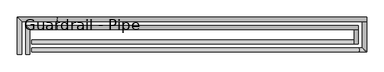
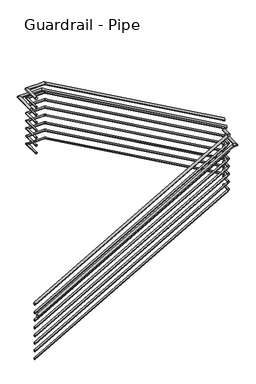
"""IFC4 building model written with IfcOpenShell, lengths in millimetres: railing geometry, Guardrail - Pipe."""

from ifc_helpers import new_model, si_unit, frame, origin, place, context, project, spatial, circle_curve, ellipse_curve, source, transform, mapped, element, save
from ifc_brep_helpers import plane_surface, cylinder_surface, advanced_brep


def guardrail_pipe_3732564f(model_context):
    return source(origin(), model_context, "Body", "AdvancedBrep", [
        advanced_brep(
        [(2655.3404629, -22606.8340928, 8667.75), (2693.4404629, -22606.8340928, 8667.75), (2655.3404629, -22333.7840928, 8667.75), (2693.4404629, -22371.8840928, 8667.75), (2948.8126111, -22333.7840928, 8667.75), (2948.8126111, -22371.8840928, 8667.75), (5782.5952881, -22333.7840928, 7078.2587793), (5782.5952881, -22371.8840928, 7078.2587793)],
        [
            (0, 1, circle_curve(frame((2674.3904629, -22606.8340928, 8667.75), z_axis=(0.0, -1.0, 0.0), x_axis=(1.0, 0.0, 0.0)), 19.05)),
            (1, 0, circle_curve(frame((2674.3904629, -22606.8340928, 8667.75), z_axis=(0.0, -1.0, 0.0), x_axis=(1.0, 0.0, 0.0)), 19.05)),
            (0, 2),
            (2, 3, ellipse_curve(frame((2674.3904629, -22352.8340928, 8667.75), z_axis=(-0.7071067811865462, -0.7071067811865488, 0.0), x_axis=(0.7071067811865488, -0.7071067811865462, 0.0)), 26.9407684, 19.05)),
            (3, 1),
            (3, 2, ellipse_curve(frame((2674.3904629, -22352.8340928, 8667.75), z_axis=(-0.7071067811865462, -0.7071067811865488, 0.0), x_axis=(0.7071067811865488, -0.7071067811865462, 0.0)), 26.9407684, 19.05)),
            (2, 4),
            (4, 5, ellipse_curve(frame((2948.8126111, -22352.8340928, 8667.75), z_axis=(-0.9675143981160731, 0.0, 0.25281592006456605), x_axis=(-0.252815920064565, 0.0, -0.9675143981160731)), 19.6896295, 19.05)),
            (5, 3),
            (5, 4, ellipse_curve(frame((2948.8126111, -22352.8340928, 8667.75), z_axis=(-0.9675143981160731, 0.0, 0.25281592006456605), x_axis=(-0.252815920064565, 0.0, -0.9675143981160731)), 19.6896295, 19.05)),
            (6, 7, ellipse_curve(frame((5782.5952881, -22352.8340928, 7078.2587793), z_axis=(1.0, 0.0, 0.0), x_axis=(0.0, 0.0, 0.9999999999999999)), 21.8421166, 19.05)),
            (7, 6, ellipse_curve(frame((5782.5952881, -22352.8340928, 7078.2587793), z_axis=(1.0, 0.0, 0.0), x_axis=(0.0, 0.0, 0.9999999999999999)), 21.8421166, 19.05)),
            (4, 6),
            (7, 5),
        ],
        [
            plane_surface(frame((2674.3904629, -22606.8340928, 8686.8), z_axis=(0.0, -1.0, 0.0), x_axis=(0.0, 0.0, 1.0))),
            cylinder_surface(frame((2674.3904629, -22606.8340928, 8667.75), z_axis=(0.0, -1.0, 0.0), x_axis=(1.0, 0.0, 0.0)), 19.05),
            cylinder_surface(frame((2674.3904629, -22352.8340928, 8667.75), z_axis=(-1.0, 0.0, 0.0), x_axis=(0.0, -1.0, 0.0)), 19.05),
            plane_surface(frame((5782.5952881, -22352.8340928, 7100.1008959), z_axis=(1.0, 0.0, 0.0), x_axis=(0.0, 1.0, 0.0))),
            cylinder_surface(frame((2944.471087, -22352.8340928, 8670.1851954), z_axis=(-0.8721682211238139, 0.0, 0.48920608547085964), x_axis=(0.0, -1.0, 0.0)), 19.05),
        ],
        [
            (0, [[1, 2]]),
            (1, [[-1, 3, 4, 5]]),
            (1, [[-2, -5, 6, -3]]),
            (2, [[-4, 7, 8, 9]]),
            (2, [[-6, -9, 10, -7]]),
            (3, [[11, 12]]),
            (4, [[-8, 13, -12, 14]]),
            (4, [[-10, -14, -11, -13]]),
        ],
    ),
        advanced_brep(
        [(5782.5952881, -22371.8840928, 6918.4630435), (5744.4952881, -22371.8840928, 6918.4630435), (5782.5952881, -22509.0587769, 6918.4630435), (5744.4952881, -22509.0587769, 6918.4630435)],
        [
            (0, 1, circle_curve(frame((5763.5452881, -22371.8840928, 6918.4630435), z_axis=(0.0, 1.0, 0.0), x_axis=(-1.0, 0.0, 0.0)), 19.05)),
            (1, 0, circle_curve(frame((5763.5452881, -22371.8840928, 6918.4630435), z_axis=(0.0, 1.0, 0.0), x_axis=(-1.0, 0.0, 0.0)), 19.05)),
            (2, 3, circle_curve(frame((5763.5452881, -22509.0587769, 6918.4630435), z_axis=(0.0, -1.0, 0.0), x_axis=(-1.0, 0.0, 0.0)), 19.05)),
            (3, 2, circle_curve(frame((5763.5452881, -22509.0587769, 6918.4630435), z_axis=(0.0, -1.0, 0.0), x_axis=(-1.0, 0.0, 0.0)), 19.05)),
            (0, 2),
            (3, 1),
        ],
        [
            plane_surface(frame((5763.5452881, -22371.8840928, 6937.5130435), z_axis=(0.0, 1.0, 0.0), x_axis=(0.0, 0.0, -1.0))),
            plane_surface(frame((5763.5452881, -22509.0587769, 6937.5130435), z_axis=(0.0, -1.0, 0.0), x_axis=(0.0, 0.0, -1.0))),
            cylinder_surface(frame((5763.5452881, -22371.8840928, 6918.4630435), z_axis=(0.0, 1.0, 0.0), x_axis=(-1.0, 0.0, 0.0)), 19.05),
        ],
        [
            (0, [[1, 2]]),
            (1, [[3, 4]]),
            (2, [[-1, 5, -4, 6]]),
            (2, [[-2, -6, -3, -5]]),
        ],
    ),
        advanced_brep(
        [(5744.4952881, -22509.0587769, 6890.2938955), (5744.4952881, -22470.9587769, 6890.2938955), (2715.5452881, -22509.0587769, 5166.3065437), (2715.5452881, -22470.9587769, 5166.3065437)],
        [
            (0, 1, ellipse_curve(frame((5744.4952881, -22490.0087769, 6890.2938955), z_axis=(1.0, 0.0, 0.0), x_axis=(0.0, 0.0, 1.0)), 21.9195433, 19.05)),
            (1, 0, ellipse_curve(frame((5744.4952881, -22490.0087769, 6890.2938955), z_axis=(1.0, 0.0, 0.0), x_axis=(0.0, 0.0, 1.0)), 21.9195433, 19.05)),
            (2, 3, ellipse_curve(frame((2715.5452881, -22490.0087769, 5166.3065437), z_axis=(-1.0, 0.0, 0.0), x_axis=(0.0, 0.0, 1.0)), 21.9195433, 19.05)),
            (3, 2, ellipse_curve(frame((2715.5452881, -22490.0087769, 5166.3065437), z_axis=(-1.0, 0.0, 0.0), x_axis=(0.0, 0.0, 1.0)), 21.9195433, 19.05)),
            (0, 2),
            (3, 1),
        ],
        [
            plane_surface(frame((5744.4952881, -22490.0087769, 6912.2134387), z_axis=(1.0, 0.0, 0.0), x_axis=(0.0, -1.0, 0.0))),
            plane_surface(frame((2715.5452881, -22490.0087769, 5188.226087), z_axis=(-1.0, 0.0, 0.0), x_axis=(0.0, -1.0, 0.0))),
            cylinder_surface(frame((5753.9185319, -22490.0087769, 6895.6573228), z_axis=(0.8690874511905761, 0.0, 0.4946584702429223), x_axis=(0.0, 1.0, 0.0)), 19.05),
        ],
        [
            (0, [[1, 2]]),
            (1, [[3, 4]]),
            (2, [[-1, 5, -4, 6]]),
            (2, [[-2, -6, -3, -5]]),
        ],
    ),
        advanced_brep(
        [(2661.6904629, -22606.8340928, 8521.7), (2687.0904629, -22606.8340928, 8521.7), (2661.6904629, -22340.1340928, 8521.7), (2687.0904629, -22365.5340928, 8521.7), (2950.471895, -22340.1340928, 8521.7), (2950.471895, -22365.5340928, 8521.7), (5776.2452881, -22340.1340928, 6936.7012503), (5776.2452881, -22365.5340928, 6936.7012503)],
        [
            (0, 1, circle_curve(frame((2674.3904629, -22606.8340928, 8521.7), z_axis=(0.0, -1.0, 0.0), x_axis=(1.0, 0.0, 0.0)), 12.7)),
            (1, 0, circle_curve(frame((2674.3904629, -22606.8340928, 8521.7), z_axis=(0.0, -1.0, 0.0), x_axis=(1.0, 0.0, 0.0)), 12.7)),
            (0, 2),
            (2, 3, ellipse_curve(frame((2674.3904629, -22352.8340928, 8521.7), z_axis=(-0.7071067811865462, -0.7071067811865488, 0.0), x_axis=(0.7071067811865488, -0.7071067811865462, 0.0)), 17.9605122, 12.7)),
            (3, 1),
            (3, 2, ellipse_curve(frame((2674.3904629, -22352.8340928, 8521.7), z_axis=(-0.7071067811865462, -0.7071067811865488, 0.0), x_axis=(0.7071067811865488, -0.7071067811865462, 0.0)), 17.9605122, 12.7)),
            (2, 4),
            (4, 5, ellipse_curve(frame((2950.471895, -22352.8340928, 8521.7), z_axis=(-0.9675143981160731, 0.0, 0.25281592006456605), x_axis=(-0.252815920064565, 0.0, -0.9675143981160731)), 13.1264196, 12.7)),
            (5, 3),
            (5, 4, ellipse_curve(frame((2950.471895, -22352.8340928, 8521.7), z_axis=(-0.9675143981160731, 0.0, 0.25281592006456605), x_axis=(-0.252815920064565, 0.0, -0.9675143981160731)), 13.1264196, 12.7)),
            (6, 7, ellipse_curve(frame((5776.2452881, -22352.8340928, 6936.7012503), z_axis=(1.0, 0.0, 0.0), x_axis=(0.0, 0.0, 0.9999999999999999)), 14.5614111, 12.7)),
            (7, 6, ellipse_curve(frame((5776.2452881, -22352.8340928, 6936.7012503), z_axis=(1.0, 0.0, 0.0), x_axis=(0.0, 0.0, 0.9999999999999999)), 14.5614111, 12.7)),
            (4, 6),
            (7, 5),
        ],
        [
            plane_surface(frame((2674.3904629, -22606.8340928, 8534.4), z_axis=(0.0, -1.0, 0.0), x_axis=(0.0, 0.0, 1.0))),
            cylinder_surface(frame((2674.3904629, -22606.8340928, 8521.7), z_axis=(0.0, -1.0, 0.0), x_axis=(1.0, 0.0, 0.0)), 12.7),
            cylinder_surface(frame((2674.3904629, -22352.8340928, 8521.7), z_axis=(-1.0, 0.0, 0.0), x_axis=(0.0, -1.0, 0.0)), 12.7),
            plane_surface(frame((5776.2452881, -22352.8340928, 6951.2626613), z_axis=(1.0, 0.0, 0.0), x_axis=(0.0, 1.0, 0.0))),
            cylinder_surface(frame((2947.5775456, -22352.8340928, 8523.3234636), z_axis=(-0.8721682211238139, 0.0, 0.48920608547085964), x_axis=(0.0, -1.0, 0.0)), 12.7),
        ],
        [
            (0, [[1, 2]]),
            (1, [[-1, 3, 4, 5]]),
            (1, [[-2, -5, 6, -3]]),
            (2, [[-4, 7, 8, 9]]),
            (2, [[-6, -9, 10, -7]]),
            (3, [[11, 12]]),
            (4, [[-8, 13, -12, 14]]),
            (4, [[-10, -14, -11, -13]]),
        ],
    ),
        advanced_brep(
        [(5776.2452881, -22365.5340928, 6772.4130435), (5750.8452881, -22365.5340928, 6772.4130435), (5776.2452881, -22502.7087769, 6772.4130435), (5750.8452881, -22502.7087769, 6772.4130435)],
        [
            (0, 1, circle_curve(frame((5763.5452881, -22365.5340928, 6772.4130435), z_axis=(0.0, 1.0, 0.0), x_axis=(-1.0, 0.0, 0.0)), 12.7)),
            (1, 0, circle_curve(frame((5763.5452881, -22365.5340928, 6772.4130435), z_axis=(0.0, 1.0, 0.0), x_axis=(-1.0, 0.0, 0.0)), 12.7)),
            (2, 3, circle_curve(frame((5763.5452881, -22502.7087769, 6772.4130435), z_axis=(0.0, -1.0, 0.0), x_axis=(-1.0, 0.0, 0.0)), 12.7)),
            (3, 2, circle_curve(frame((5763.5452881, -22502.7087769, 6772.4130435), z_axis=(0.0, -1.0, 0.0), x_axis=(-1.0, 0.0, 0.0)), 12.7)),
            (0, 2),
            (3, 1),
        ],
        [
            plane_surface(frame((5763.5452881, -22365.5340928, 6785.1130435), z_axis=(0.0, 1.0, 0.0), x_axis=(0.0, 0.0, -1.0))),
            plane_surface(frame((5763.5452881, -22502.7087769, 6785.1130435), z_axis=(0.0, -1.0, 0.0), x_axis=(0.0, 0.0, -1.0))),
            cylinder_surface(frame((5763.5452881, -22365.5340928, 6772.4130435), z_axis=(0.0, 1.0, 0.0), x_axis=(-1.0, 0.0, 0.0)), 12.7),
        ],
        [
            (0, [[1, 2]]),
            (1, [[3, 4]]),
            (2, [[-1, 5, -4, 6]]),
            (2, [[-2, -6, -3, -5]]),
        ],
    ),
        advanced_brep(
        [(5750.8452881, -22502.7087769, 6748.8146391), (5750.8452881, -22477.3087769, 6748.8146391), (2715.5452881, -22502.7087769, 5021.2130581), (2715.5452881, -22477.3087769, 5021.2130581)],
        [
            (0, 1, ellipse_curve(frame((5750.8452881, -22490.0087769, 6748.8146391), z_axis=(1.0, 0.0, 0.0), x_axis=(0.0, 0.0, 1.0)), 14.6130289, 12.7)),
            (1, 0, ellipse_curve(frame((5750.8452881, -22490.0087769, 6748.8146391), z_axis=(1.0, 0.0, 0.0), x_axis=(0.0, 0.0, 1.0)), 14.6130289, 12.7)),
            (2, 3, ellipse_curve(frame((2715.5452881, -22490.0087769, 5021.2130581), z_axis=(-1.0, 0.0, 0.0), x_axis=(0.0, 0.0, 1.0)), 14.6130289, 12.7)),
            (3, 2, ellipse_curve(frame((2715.5452881, -22490.0087769, 5021.2130581), z_axis=(-1.0, 0.0, 0.0), x_axis=(0.0, 0.0, 1.0)), 14.6130289, 12.7)),
            (0, 2),
            (3, 1),
        ],
        [
            plane_surface(frame((5750.8452881, -22490.0087769, 6763.427668), z_axis=(1.0, 0.0, 0.0), x_axis=(0.0, -1.0, 0.0))),
            plane_surface(frame((2715.5452881, -22490.0087769, 5035.826087), z_axis=(-1.0, 0.0, 0.0), x_axis=(0.0, -1.0, 0.0))),
            cylinder_surface(frame((5757.1274506, -22490.0087769, 6752.3902574), z_axis=(0.8690874511905761, 0.0, 0.4946584702429223), x_axis=(0.0, 1.0, 0.0)), 12.7),
        ],
        [
            (0, [[1, 2]]),
            (1, [[3, 4]]),
            (2, [[-1, 5, -4, 6]]),
            (2, [[-2, -6, -3, -5]]),
        ],
    ),
        advanced_brep(
        [(2579.1404629, -22606.8340928, 8515.35), (2617.2404629, -22606.8340928, 8515.35), (2579.1404629, -22257.5840928, 8515.35), (2617.2404629, -22295.6840928, 8515.35), (2948.8126111, -22257.5840928, 8515.35), (2948.8126111, -22295.6840928, 8515.35), (5858.7952881, -22257.5840928, 6883.1175938), (5858.7952881, -22295.6840928, 6883.1175938)],
        [
            (0, 1, circle_curve(frame((2598.1904629, -22606.8340928, 8515.35), z_axis=(0.0, -1.0, 0.0), x_axis=(1.0, 0.0, 0.0)), 19.05)),
            (1, 0, circle_curve(frame((2598.1904629, -22606.8340928, 8515.35), z_axis=(0.0, -1.0, 0.0), x_axis=(1.0, 0.0, 0.0)), 19.05)),
            (0, 2),
            (2, 3, ellipse_curve(frame((2598.1904629, -22276.6340928, 8515.35), z_axis=(-0.7071067811865462, -0.7071067811865488, 0.0), x_axis=(0.7071067811865488, -0.7071067811865462, 0.0)), 26.9407684, 19.05)),
            (3, 1),
            (3, 2, ellipse_curve(frame((2598.1904629, -22276.6340928, 8515.35), z_axis=(-0.7071067811865462, -0.7071067811865488, 0.0), x_axis=(0.7071067811865488, -0.7071067811865462, 0.0)), 26.9407684, 19.05)),
            (2, 4),
            (4, 5, ellipse_curve(frame((2948.8126111, -22276.6340928, 8515.35), z_axis=(-0.9675143981160731, 0.0, 0.252815920064566), x_axis=(-0.25281592006456505, 0.0, -0.9675143981160731)), 19.6896295, 19.05)),
            (5, 3),
            (5, 4, ellipse_curve(frame((2948.8126111, -22276.6340928, 8515.35), z_axis=(-0.9675143981160731, 0.0, 0.252815920064566), x_axis=(-0.25281592006456505, 0.0, -0.9675143981160731)), 19.6896295, 19.05)),
            (6, 7, ellipse_curve(frame((5858.7952881, -22276.6340928, 6883.1175938), z_axis=(1.0, 0.0, 0.0), x_axis=(0.0, 0.0, 1.0)), 21.8421166, 19.05)),
            (7, 6, ellipse_curve(frame((5858.7952881, -22276.6340928, 6883.1175938), z_axis=(1.0, 0.0, 0.0), x_axis=(0.0, 0.0, 1.0)), 21.8421166, 19.05)),
            (4, 6),
            (7, 5),
        ],
        [
            plane_surface(frame((2598.1904629, -22606.8340928, 8534.4), z_axis=(0.0, -1.0, 0.0), x_axis=(0.0, 0.0, 1.0))),
            cylinder_surface(frame((2598.1904629, -22606.8340928, 8515.35), z_axis=(0.0, -1.0, 0.0), x_axis=(1.0, 0.0, 0.0)), 19.05),
            cylinder_surface(frame((2598.1904629, -22276.6340928, 8515.35), z_axis=(-1.0, 0.0, 0.0), x_axis=(0.0, -1.0, 0.0)), 19.05),
            plane_surface(frame((5858.7952881, -22276.6340928, 6904.9597104), z_axis=(1.0, 0.0, 0.0), x_axis=(0.0, 1.0, 0.0))),
            cylinder_surface(frame((2944.471087, -22276.6340928, 8517.7851954), z_axis=(-0.872168221123814, 0.0, 0.4892060854708595), x_axis=(0.0, -1.0, 0.0)), 19.05),
        ],
        [
            (0, [[1, 2]]),
            (1, [[-1, 3, 4, 5]]),
            (1, [[-2, -5, 6, -3]]),
            (2, [[-4, 7, 8, 9]]),
            (2, [[-6, -9, 10, -7]]),
            (3, [[11, 12]]),
            (4, [[-8, 13, -12, 14]]),
            (4, [[-10, -14, -11, -13]]),
        ],
    ),
        advanced_brep(
        [(5858.7952881, -22295.6840928, 6766.0630435), (5820.6952881, -22295.6840928, 6766.0630435), (5858.7952881, -22585.2587769, 6766.0630435), (5820.6952881, -22547.1587769, 6766.0630435), (5793.9869162, -22585.2587769, 6766.0630435), (5793.9869162, -22547.1587769, 6766.0630435), (2715.5452881, -22585.2587769, 5013.9065437), (2715.5452881, -22547.1587769, 5013.9065437)],
        [
            (0, 1, circle_curve(frame((5839.7452881, -22295.6840928, 6766.0630435), z_axis=(0.0, 1.0, 0.0), x_axis=(-1.0, 0.0, 0.0)), 19.05)),
            (1, 0, circle_curve(frame((5839.7452881, -22295.6840928, 6766.0630435), z_axis=(0.0, 1.0, 0.0), x_axis=(-1.0, 0.0, 0.0)), 19.05)),
            (0, 2),
            (2, 3, ellipse_curve(frame((5839.7452881, -22566.2087769, 6766.0630435), z_axis=(0.7071067811865487, 0.7071067811865464, 0.0), x_axis=(-0.7071067811865464, 0.7071067811865487, 0.0)), 26.9407684, 19.05)),
            (3, 1),
            (3, 2, ellipse_curve(frame((5839.7452881, -22566.2087769, 6766.0630435), z_axis=(0.7071067811865487, 0.7071067811865464, 0.0), x_axis=(-0.7071067811865464, 0.7071067811865487, 0.0)), 26.9407684, 19.05)),
            (2, 4),
            (4, 5, ellipse_curve(frame((5793.9869162, -22566.2087769, 6766.0630435), z_axis=(0.966718017622144, 0.0, 0.2558442385607148), x_axis=(0.2558442385607151, 0.0, -0.966718017622144)), 19.7058497, 19.05)),
            (5, 3),
            (5, 4, ellipse_curve(frame((5793.9869162, -22566.2087769, 6766.0630435), z_axis=(0.966718017622144, 0.0, 0.2558442385607148), x_axis=(0.2558442385607151, 0.0, -0.966718017622144)), 19.7058497, 19.05)),
            (6, 7, ellipse_curve(frame((2715.5452881, -22566.2087769, 5013.9065437), z_axis=(-1.0, 0.0, 0.0), x_axis=(0.0, 0.0, 1.0)), 21.9195433, 19.05)),
            (7, 6, ellipse_curve(frame((2715.5452881, -22566.2087769, 5013.9065437), z_axis=(-1.0, 0.0, 0.0), x_axis=(0.0, 0.0, 1.0)), 21.9195433, 19.05)),
            (4, 6),
            (7, 5),
        ],
        [
            plane_surface(frame((5839.7452881, -22295.6840928, 6785.1130435), z_axis=(0.0, 1.0, 0.0), x_axis=(0.0, 0.0, -1.0))),
            cylinder_surface(frame((5839.7452881, -22295.6840928, 6766.0630435), z_axis=(0.0, 1.0, 0.0), x_axis=(-1.0, 0.0, 0.0)), 19.05),
            cylinder_surface(frame((5839.7452881, -22566.2087769, 6766.0630435), z_axis=(1.0, 0.0, 0.0), x_axis=(0.0, 1.0, 0.0)), 19.05),
            plane_surface(frame((2715.5452881, -22566.2087769, 5035.826087), z_axis=(-1.0, 0.0, 0.0), x_axis=(0.0, -1.0, 0.0))),
            cylinder_surface(frame((5798.3685319, -22566.2087769, 6768.5569275), z_axis=(0.8690874511905761, 0.0, 0.49465847024292225), x_axis=(0.0, 1.0, 0.0)), 19.05),
        ],
        [
            (0, [[1, 2]]),
            (1, [[-1, 3, 4, 5]]),
            (1, [[-2, -5, 6, -3]]),
            (2, [[-4, 7, 8, 9]]),
            (2, [[-6, -9, 10, -7]]),
            (3, [[11, 12]]),
            (4, [[-8, 13, -12, 14]]),
            (4, [[-10, -14, -11, -13]]),
        ],
    ),
        advanced_brep(
        [(2661.6904629, -22606.8340928, 8394.7), (2687.0904629, -22606.8340928, 8394.7), (2661.6904629, -22340.1340928, 8394.7), (2687.0904629, -22365.5340928, 8394.7), (2950.471895, -22340.1340928, 8394.7), (2950.471895, -22365.5340928, 8394.7), (5776.2452881, -22340.1340928, 6809.7012503), (5776.2452881, -22365.5340928, 6809.7012503)],
        [
            (0, 1, circle_curve(frame((2674.3904629, -22606.8340928, 8394.7), z_axis=(0.0, -1.0, 0.0), x_axis=(1.0, 0.0, 0.0)), 12.7)),
            (1, 0, circle_curve(frame((2674.3904629, -22606.8340928, 8394.7), z_axis=(0.0, -1.0, 0.0), x_axis=(1.0, 0.0, 0.0)), 12.7)),
            (0, 2),
            (2, 3, ellipse_curve(frame((2674.3904629, -22352.8340928, 8394.7), z_axis=(-0.7071067811865462, -0.7071067811865488, 0.0), x_axis=(0.7071067811865488, -0.7071067811865462, 0.0)), 17.9605122, 12.7)),
            (3, 1),
            (3, 2, ellipse_curve(frame((2674.3904629, -22352.8340928, 8394.7), z_axis=(-0.7071067811865462, -0.7071067811865488, 0.0), x_axis=(0.7071067811865488, -0.7071067811865462, 0.0)), 17.9605122, 12.7)),
            (2, 4),
            (4, 5, ellipse_curve(frame((2950.471895, -22352.8340928, 8394.7), z_axis=(-0.9675143981160731, 0.0, 0.25281592006456605), x_axis=(-0.252815920064565, 0.0, -0.9675143981160731)), 13.1264196, 12.7)),
            (5, 3),
            (5, 4, ellipse_curve(frame((2950.471895, -22352.8340928, 8394.7), z_axis=(-0.9675143981160731, 0.0, 0.25281592006456605), x_axis=(-0.252815920064565, 0.0, -0.9675143981160731)), 13.1264196, 12.7)),
            (6, 7, ellipse_curve(frame((5776.2452881, -22352.8340928, 6809.7012503), z_axis=(1.0, 0.0, 0.0), x_axis=(0.0, 0.0, 0.9999999999999999)), 14.5614111, 12.7)),
            (7, 6, ellipse_curve(frame((5776.2452881, -22352.8340928, 6809.7012503), z_axis=(1.0, 0.0, 0.0), x_axis=(0.0, 0.0, 0.9999999999999999)), 14.5614111, 12.7)),
            (4, 6),
            (7, 5),
        ],
        [
            plane_surface(frame((2674.3904629, -22606.8340928, 8407.4), z_axis=(0.0, -1.0, 0.0), x_axis=(0.0, 0.0, 1.0))),
            cylinder_surface(frame((2674.3904629, -22606.8340928, 8394.7), z_axis=(0.0, -1.0, 0.0), x_axis=(1.0, 0.0, 0.0)), 12.7),
            cylinder_surface(frame((2674.3904629, -22352.8340928, 8394.7), z_axis=(-1.0, 0.0, 0.0), x_axis=(0.0, -1.0, 0.0)), 12.7),
            plane_surface(frame((5776.2452881, -22352.8340928, 6824.2626613), z_axis=(1.0, 0.0, 0.0), x_axis=(0.0, 1.0, 0.0))),
            cylinder_surface(frame((2947.5775456, -22352.8340928, 8396.3234636), z_axis=(-0.8721682211238139, 0.0, 0.48920608547085964), x_axis=(0.0, -1.0, 0.0)), 12.7),
        ],
        [
            (0, [[1, 2]]),
            (1, [[-1, 3, 4, 5]]),
            (1, [[-2, -5, 6, -3]]),
            (2, [[-4, 7, 8, 9]]),
            (2, [[-6, -9, 10, -7]]),
            (3, [[11, 12]]),
            (4, [[-8, 13, -12, 14]]),
            (4, [[-10, -14, -11, -13]]),
        ],
    ),
        advanced_brep(
        [(5776.2452881, -22365.5340928, 6645.4130435), (5750.8452881, -22365.5340928, 6645.4130435), (5776.2452881, -22502.7087769, 6645.4130435), (5750.8452881, -22502.7087769, 6645.4130435)],
        [
            (0, 1, circle_curve(frame((5763.5452881, -22365.5340928, 6645.4130435), z_axis=(0.0, 1.0, 0.0), x_axis=(-1.0, 0.0, 0.0)), 12.7)),
            (1, 0, circle_curve(frame((5763.5452881, -22365.5340928, 6645.4130435), z_axis=(0.0, 1.0, 0.0), x_axis=(-1.0, 0.0, 0.0)), 12.7)),
            (2, 3, circle_curve(frame((5763.5452881, -22502.7087769, 6645.4130435), z_axis=(0.0, -1.0, 0.0), x_axis=(-1.0, 0.0, 0.0)), 12.7)),
            (3, 2, circle_curve(frame((5763.5452881, -22502.7087769, 6645.4130435), z_axis=(0.0, -1.0, 0.0), x_axis=(-1.0, 0.0, 0.0)), 12.7)),
            (0, 2),
            (3, 1),
        ],
        [
            plane_surface(frame((5763.5452881, -22365.5340928, 6658.1130435), z_axis=(0.0, 1.0, 0.0), x_axis=(0.0, 0.0, -1.0))),
            plane_surface(frame((5763.5452881, -22502.7087769, 6658.1130435), z_axis=(0.0, -1.0, 0.0), x_axis=(0.0, 0.0, -1.0))),
            cylinder_surface(frame((5763.5452881, -22365.5340928, 6645.4130435), z_axis=(0.0, 1.0, 0.0), x_axis=(-1.0, 0.0, 0.0)), 12.7),
        ],
        [
            (0, [[1, 2]]),
            (1, [[3, 4]]),
            (2, [[-1, 5, -4, 6]]),
            (2, [[-2, -6, -3, -5]]),
        ],
    ),
        advanced_brep(
        [(5750.8452881, -22502.7087769, 6621.8146391), (5750.8452881, -22477.3087769, 6621.8146391), (2715.5452881, -22502.7087769, 4894.2130581), (2715.5452881, -22477.3087769, 4894.2130581)],
        [
            (0, 1, ellipse_curve(frame((5750.8452881, -22490.0087769, 6621.8146391), z_axis=(1.0, 0.0, 0.0), x_axis=(0.0, 0.0, 1.0)), 14.6130289, 12.7)),
            (1, 0, ellipse_curve(frame((5750.8452881, -22490.0087769, 6621.8146391), z_axis=(1.0, 0.0, 0.0), x_axis=(0.0, 0.0, 1.0)), 14.6130289, 12.7)),
            (2, 3, ellipse_curve(frame((2715.5452881, -22490.0087769, 4894.2130581), z_axis=(-1.0, 0.0, 0.0), x_axis=(0.0, 0.0, 1.0)), 14.6130289, 12.7)),
            (3, 2, ellipse_curve(frame((2715.5452881, -22490.0087769, 4894.2130581), z_axis=(-1.0, 0.0, 0.0), x_axis=(0.0, 0.0, 1.0)), 14.6130289, 12.7)),
            (0, 2),
            (3, 1),
        ],
        [
            plane_surface(frame((5750.8452881, -22490.0087769, 6636.427668), z_axis=(1.0, 0.0, 0.0), x_axis=(0.0, -1.0, 0.0))),
            plane_surface(frame((2715.5452881, -22490.0087769, 4908.826087), z_axis=(-1.0, 0.0, 0.0), x_axis=(0.0, -1.0, 0.0))),
            cylinder_surface(frame((5757.1274506, -22490.0087769, 6625.3902574), z_axis=(0.8690874511905761, 0.0, 0.4946584702429223), x_axis=(0.0, 1.0, 0.0)), 12.7),
        ],
        [
            (0, [[1, 2]]),
            (1, [[3, 4]]),
            (2, [[-1, 5, -4, 6]]),
            (2, [[-2, -6, -3, -5]]),
        ],
    ),
        advanced_brep(
        [(2661.6904629, -22606.8340928, 8267.7), (2687.0904629, -22606.8340928, 8267.7), (2661.6904629, -22340.1340928, 8267.7), (2687.0904629, -22365.5340928, 8267.7), (2950.471895, -22340.1340928, 8267.7), (2950.471895, -22365.5340928, 8267.7), (5776.2452881, -22340.1340928, 6682.7012503), (5776.2452881, -22365.5340928, 6682.7012503)],
        [
            (0, 1, circle_curve(frame((2674.3904629, -22606.8340928, 8267.7), z_axis=(0.0, -1.0, 0.0), x_axis=(1.0, 0.0, 0.0)), 12.7)),
            (1, 0, circle_curve(frame((2674.3904629, -22606.8340928, 8267.7), z_axis=(0.0, -1.0, 0.0), x_axis=(1.0, 0.0, 0.0)), 12.7)),
            (0, 2),
            (2, 3, ellipse_curve(frame((2674.3904629, -22352.8340928, 8267.7), z_axis=(-0.7071067811865462, -0.7071067811865488, 0.0), x_axis=(0.7071067811865488, -0.7071067811865462, 0.0)), 17.9605122, 12.7)),
            (3, 1),
            (3, 2, ellipse_curve(frame((2674.3904629, -22352.8340928, 8267.7), z_axis=(-0.7071067811865462, -0.7071067811865488, 0.0), x_axis=(0.7071067811865488, -0.7071067811865462, 0.0)), 17.9605122, 12.7)),
            (2, 4),
            (4, 5, ellipse_curve(frame((2950.471895, -22352.8340928, 8267.7), z_axis=(-0.9675143981160731, 0.0, 0.25281592006456605), x_axis=(-0.252815920064565, 0.0, -0.9675143981160731)), 13.1264196, 12.7)),
            (5, 3),
            (5, 4, ellipse_curve(frame((2950.471895, -22352.8340928, 8267.7), z_axis=(-0.9675143981160731, 0.0, 0.25281592006456605), x_axis=(-0.252815920064565, 0.0, -0.9675143981160731)), 13.1264196, 12.7)),
            (6, 7, ellipse_curve(frame((5776.2452881, -22352.8340928, 6682.7012503), z_axis=(1.0, 0.0, 0.0), x_axis=(0.0, 0.0, 0.9999999999999999)), 14.5614111, 12.7)),
            (7, 6, ellipse_curve(frame((5776.2452881, -22352.8340928, 6682.7012503), z_axis=(1.0, 0.0, 0.0), x_axis=(0.0, 0.0, 0.9999999999999999)), 14.5614111, 12.7)),
            (4, 6),
            (7, 5),
        ],
        [
            plane_surface(frame((2674.3904629, -22606.8340928, 8280.4), z_axis=(0.0, -1.0, 0.0), x_axis=(0.0, 0.0, 1.0))),
            cylinder_surface(frame((2674.3904629, -22606.8340928, 8267.7), z_axis=(0.0, -1.0, 0.0), x_axis=(1.0, 0.0, 0.0)), 12.7),
            cylinder_surface(frame((2674.3904629, -22352.8340928, 8267.7), z_axis=(-1.0, 0.0, 0.0), x_axis=(0.0, -1.0, 0.0)), 12.7),
            plane_surface(frame((5776.2452881, -22352.8340928, 6697.2626613), z_axis=(1.0, 0.0, 0.0), x_axis=(0.0, 1.0, 0.0))),
            cylinder_surface(frame((2947.5775456, -22352.8340928, 8269.3234636), z_axis=(-0.8721682211238139, 0.0, 0.48920608547085964), x_axis=(0.0, -1.0, 0.0)), 12.7),
        ],
        [
            (0, [[1, 2]]),
            (1, [[-1, 3, 4, 5]]),
            (1, [[-2, -5, 6, -3]]),
            (2, [[-4, 7, 8, 9]]),
            (2, [[-6, -9, 10, -7]]),
            (3, [[11, 12]]),
            (4, [[-8, 13, -12, 14]]),
            (4, [[-10, -14, -11, -13]]),
        ],
    ),
        advanced_brep(
        [(5776.2452881, -22365.5340928, 6518.4130435), (5750.8452881, -22365.5340928, 6518.4130435), (5776.2452881, -22502.7087769, 6518.4130435), (5750.8452881, -22502.7087769, 6518.4130435)],
        [
            (0, 1, circle_curve(frame((5763.5452881, -22365.5340928, 6518.4130435), z_axis=(0.0, 1.0, 0.0), x_axis=(-1.0, 0.0, 0.0)), 12.7)),
            (1, 0, circle_curve(frame((5763.5452881, -22365.5340928, 6518.4130435), z_axis=(0.0, 1.0, 0.0), x_axis=(-1.0, 0.0, 0.0)), 12.7)),
            (2, 3, circle_curve(frame((5763.5452881, -22502.7087769, 6518.4130435), z_axis=(0.0, -1.0, 0.0), x_axis=(-1.0, 0.0, 0.0)), 12.7)),
            (3, 2, circle_curve(frame((5763.5452881, -22502.7087769, 6518.4130435), z_axis=(0.0, -1.0, 0.0), x_axis=(-1.0, 0.0, 0.0)), 12.7)),
            (0, 2),
            (3, 1),
        ],
        [
            plane_surface(frame((5763.5452881, -22365.5340928, 6531.1130435), z_axis=(0.0, 1.0, 0.0), x_axis=(0.0, 0.0, -1.0))),
            plane_surface(frame((5763.5452881, -22502.7087769, 6531.1130435), z_axis=(0.0, -1.0, 0.0), x_axis=(0.0, 0.0, -1.0))),
            cylinder_surface(frame((5763.5452881, -22365.5340928, 6518.4130435), z_axis=(0.0, 1.0, 0.0), x_axis=(-1.0, 0.0, 0.0)), 12.7),
        ],
        [
            (0, [[1, 2]]),
            (1, [[3, 4]]),
            (2, [[-1, 5, -4, 6]]),
            (2, [[-2, -6, -3, -5]]),
        ],
    ),
        advanced_brep(
        [(5750.8452881, -22502.7087769, 6494.8146391), (5750.8452881, -22477.3087769, 6494.8146391), (2715.5452881, -22502.7087769, 4767.2130581), (2715.5452881, -22477.3087769, 4767.2130581)],
        [
            (0, 1, ellipse_curve(frame((5750.8452881, -22490.0087769, 6494.8146391), z_axis=(1.0, 0.0, 0.0), x_axis=(0.0, 0.0, 1.0)), 14.6130289, 12.7)),
            (1, 0, ellipse_curve(frame((5750.8452881, -22490.0087769, 6494.8146391), z_axis=(1.0, 0.0, 0.0), x_axis=(0.0, 0.0, 1.0)), 14.6130289, 12.7)),
            (2, 3, ellipse_curve(frame((2715.5452881, -22490.0087769, 4767.2130581), z_axis=(-1.0, 0.0, 0.0), x_axis=(0.0, 0.0, 1.0)), 14.6130289, 12.7)),
            (3, 2, ellipse_curve(frame((2715.5452881, -22490.0087769, 4767.2130581), z_axis=(-1.0, 0.0, 0.0), x_axis=(0.0, 0.0, 1.0)), 14.6130289, 12.7)),
            (0, 2),
            (3, 1),
        ],
        [
            plane_surface(frame((5750.8452881, -22490.0087769, 6509.427668), z_axis=(1.0, 0.0, 0.0), x_axis=(0.0, -1.0, 0.0))),
            plane_surface(frame((2715.5452881, -22490.0087769, 4781.826087), z_axis=(-1.0, 0.0, 0.0), x_axis=(0.0, -1.0, 0.0))),
            cylinder_surface(frame((5757.1274506, -22490.0087769, 6498.3902574), z_axis=(0.8690874511905761, 0.0, 0.4946584702429225), x_axis=(0.0, 1.0, 0.0)), 12.7),
        ],
        [
            (0, [[1, 2]]),
            (1, [[3, 4]]),
            (2, [[-1, 5, -4, 6]]),
            (2, [[-2, -6, -3, -5]]),
        ],
    ),
        advanced_brep(
        [(2661.6904629, -22606.8340928, 8140.7), (2687.0904629, -22606.8340928, 8140.7), (2661.6904629, -22340.1340928, 8140.7), (2687.0904629, -22365.5340928, 8140.7), (2950.471895, -22340.1340928, 8140.7), (2950.471895, -22365.5340928, 8140.7), (5776.2452881, -22340.1340928, 6555.7012503), (5776.2452881, -22365.5340928, 6555.7012503)],
        [
            (0, 1, circle_curve(frame((2674.3904629, -22606.8340928, 8140.7), z_axis=(0.0, -1.0, 0.0), x_axis=(1.0, 0.0, 0.0)), 12.7)),
            (1, 0, circle_curve(frame((2674.3904629, -22606.8340928, 8140.7), z_axis=(0.0, -1.0, 0.0), x_axis=(1.0, 0.0, 0.0)), 12.7)),
            (0, 2),
            (2, 3, ellipse_curve(frame((2674.3904629, -22352.8340928, 8140.7), z_axis=(-0.7071067811865462, -0.7071067811865488, 0.0), x_axis=(0.7071067811865488, -0.7071067811865462, 0.0)), 17.9605122, 12.7)),
            (3, 1),
            (3, 2, ellipse_curve(frame((2674.3904629, -22352.8340928, 8140.7), z_axis=(-0.7071067811865462, -0.7071067811865488, 0.0), x_axis=(0.7071067811865488, -0.7071067811865462, 0.0)), 17.9605122, 12.7)),
            (2, 4),
            (4, 5, ellipse_curve(frame((2950.471895, -22352.8340928, 8140.7), z_axis=(-0.9675143981160731, 0.0, 0.25281592006456605), x_axis=(-0.252815920064565, 0.0, -0.9675143981160731)), 13.1264196, 12.7)),
            (5, 3),
            (5, 4, ellipse_curve(frame((2950.471895, -22352.8340928, 8140.7), z_axis=(-0.9675143981160731, 0.0, 0.25281592006456605), x_axis=(-0.252815920064565, 0.0, -0.9675143981160731)), 13.1264196, 12.7)),
            (6, 7, ellipse_curve(frame((5776.2452881, -22352.8340928, 6555.7012503), z_axis=(1.0, 0.0, 0.0), x_axis=(0.0, 0.0, 0.9999999999999999)), 14.5614111, 12.7)),
            (7, 6, ellipse_curve(frame((5776.2452881, -22352.8340928, 6555.7012503), z_axis=(1.0, 0.0, 0.0), x_axis=(0.0, 0.0, 0.9999999999999999)), 14.5614111, 12.7)),
            (4, 6),
            (7, 5),
        ],
        [
            plane_surface(frame((2674.3904629, -22606.8340928, 8153.4), z_axis=(0.0, -1.0, 0.0), x_axis=(0.0, 0.0, 1.0))),
            cylinder_surface(frame((2674.3904629, -22606.8340928, 8140.7), z_axis=(0.0, -1.0, 0.0), x_axis=(1.0, 0.0, 0.0)), 12.7),
            cylinder_surface(frame((2674.3904629, -22352.8340928, 8140.7), z_axis=(-1.0, 0.0, 0.0), x_axis=(0.0, -1.0, 0.0)), 12.7),
            plane_surface(frame((5776.2452881, -22352.8340928, 6570.2626613), z_axis=(1.0, 0.0, 0.0), x_axis=(0.0, 1.0, 0.0))),
            cylinder_surface(frame((2947.5775456, -22352.8340928, 8142.3234636), z_axis=(-0.8721682211238139, 0.0, 0.48920608547085964), x_axis=(0.0, -1.0, 0.0)), 12.7),
        ],
        [
            (0, [[1, 2]]),
            (1, [[-1, 3, 4, 5]]),
            (1, [[-2, -5, 6, -3]]),
            (2, [[-4, 7, 8, 9]]),
            (2, [[-6, -9, 10, -7]]),
            (3, [[11, 12]]),
            (4, [[-8, 13, -12, 14]]),
            (4, [[-10, -14, -11, -13]]),
        ],
    ),
        advanced_brep(
        [(5776.2452881, -22365.5340928, 6391.4130435), (5750.8452881, -22365.5340928, 6391.4130435), (5776.2452881, -22502.7087769, 6391.4130435), (5750.8452881, -22502.7087769, 6391.4130435)],
        [
            (0, 1, circle_curve(frame((5763.5452881, -22365.5340928, 6391.4130435), z_axis=(0.0, 1.0, 0.0), x_axis=(-1.0, 0.0, 0.0)), 12.7)),
            (1, 0, circle_curve(frame((5763.5452881, -22365.5340928, 6391.4130435), z_axis=(0.0, 1.0, 0.0), x_axis=(-1.0, 0.0, 0.0)), 12.7)),
            (2, 3, circle_curve(frame((5763.5452881, -22502.7087769, 6391.4130435), z_axis=(0.0, -1.0, 0.0), x_axis=(-1.0, 0.0, 0.0)), 12.7)),
            (3, 2, circle_curve(frame((5763.5452881, -22502.7087769, 6391.4130435), z_axis=(0.0, -1.0, 0.0), x_axis=(-1.0, 0.0, 0.0)), 12.7)),
            (0, 2),
            (3, 1),
        ],
        [
            plane_surface(frame((5763.5452881, -22365.5340928, 6404.1130435), z_axis=(0.0, 1.0, 0.0), x_axis=(0.0, 0.0, -1.0))),
            plane_surface(frame((5763.5452881, -22502.7087769, 6404.1130435), z_axis=(0.0, -1.0, 0.0), x_axis=(0.0, 0.0, -1.0))),
            cylinder_surface(frame((5763.5452881, -22365.5340928, 6391.4130435), z_axis=(0.0, 1.0, 0.0), x_axis=(-1.0, 0.0, 0.0)), 12.7),
        ],
        [
            (0, [[1, 2]]),
            (1, [[3, 4]]),
            (2, [[-1, 5, -4, 6]]),
            (2, [[-2, -6, -3, -5]]),
        ],
    ),
        advanced_brep(
        [(5750.8452881, -22502.7087769, 6367.8146391), (5750.8452881, -22477.3087769, 6367.8146391), (2715.5452881, -22502.7087769, 4640.2130581), (2715.5452881, -22477.3087769, 4640.2130581)],
        [
            (0, 1, ellipse_curve(frame((5750.8452881, -22490.0087769, 6367.8146391), z_axis=(1.0, 0.0, 0.0), x_axis=(0.0, 0.0, 1.0)), 14.6130289, 12.7)),
            (1, 0, ellipse_curve(frame((5750.8452881, -22490.0087769, 6367.8146391), z_axis=(1.0, 0.0, 0.0), x_axis=(0.0, 0.0, 1.0)), 14.6130289, 12.7)),
            (2, 3, ellipse_curve(frame((2715.5452881, -22490.0087769, 4640.2130581), z_axis=(-1.0, 0.0, 0.0), x_axis=(0.0, 0.0, 1.0)), 14.6130289, 12.7)),
            (3, 2, ellipse_curve(frame((2715.5452881, -22490.0087769, 4640.2130581), z_axis=(-1.0, 0.0, 0.0), x_axis=(0.0, 0.0, 1.0)), 14.6130289, 12.7)),
            (0, 2),
            (3, 1),
        ],
        [
            plane_surface(frame((5750.8452881, -22490.0087769, 6382.427668), z_axis=(1.0, 0.0, 0.0), x_axis=(0.0, -1.0, 0.0))),
            plane_surface(frame((2715.5452881, -22490.0087769, 4654.826087), z_axis=(-1.0, 0.0, 0.0), x_axis=(0.0, -1.0, 0.0))),
            cylinder_surface(frame((5757.1274506, -22490.0087769, 6371.3902574), z_axis=(0.8690874511905761, 0.0, 0.4946584702429223), x_axis=(0.0, 1.0, 0.0)), 12.7),
        ],
        [
            (0, [[1, 2]]),
            (1, [[3, 4]]),
            (2, [[-1, 5, -4, 6]]),
            (2, [[-2, -6, -3, -5]]),
        ],
    ),
        advanced_brep(
        [(2661.6904629, -22606.8340928, 8013.7), (2687.0904629, -22606.8340928, 8013.7), (2661.6904629, -22340.1340928, 8013.7), (2687.0904629, -22365.5340928, 8013.7), (2950.471895, -22340.1340928, 8013.7), (2950.471895, -22365.5340928, 8013.7), (5776.2452881, -22340.1340928, 6428.7012503), (5776.2452881, -22365.5340928, 6428.7012503)],
        [
            (0, 1, circle_curve(frame((2674.3904629, -22606.8340928, 8013.7), z_axis=(0.0, -1.0, 0.0), x_axis=(1.0, 0.0, 0.0)), 12.7)),
            (1, 0, circle_curve(frame((2674.3904629, -22606.8340928, 8013.7), z_axis=(0.0, -1.0, 0.0), x_axis=(1.0, 0.0, 0.0)), 12.7)),
            (0, 2),
            (2, 3, ellipse_curve(frame((2674.3904629, -22352.8340928, 8013.7), z_axis=(-0.7071067811865462, -0.7071067811865488, 0.0), x_axis=(0.7071067811865488, -0.7071067811865462, 0.0)), 17.9605122, 12.7)),
            (3, 1),
            (3, 2, ellipse_curve(frame((2674.3904629, -22352.8340928, 8013.7), z_axis=(-0.7071067811865462, -0.7071067811865488, 0.0), x_axis=(0.7071067811865488, -0.7071067811865462, 0.0)), 17.9605122, 12.7)),
            (2, 4),
            (4, 5, ellipse_curve(frame((2950.471895, -22352.8340928, 8013.7), z_axis=(-0.9675143981160731, 0.0, 0.25281592006456605), x_axis=(-0.252815920064565, 0.0, -0.9675143981160731)), 13.1264196, 12.7)),
            (5, 3),
            (5, 4, ellipse_curve(frame((2950.471895, -22352.8340928, 8013.7), z_axis=(-0.9675143981160731, 0.0, 0.25281592006456605), x_axis=(-0.252815920064565, 0.0, -0.9675143981160731)), 13.1264196, 12.7)),
            (6, 7, ellipse_curve(frame((5776.2452881, -22352.8340928, 6428.7012503), z_axis=(1.0, 0.0, 0.0), x_axis=(0.0, 0.0, 0.9999999999999999)), 14.5614111, 12.7)),
            (7, 6, ellipse_curve(frame((5776.2452881, -22352.8340928, 6428.7012503), z_axis=(1.0, 0.0, 0.0), x_axis=(0.0, 0.0, 0.9999999999999999)), 14.5614111, 12.7)),
            (4, 6),
            (7, 5),
        ],
        [
            plane_surface(frame((2674.3904629, -22606.8340928, 8026.4), z_axis=(0.0, -1.0, 0.0), x_axis=(0.0, 0.0, 1.0))),
            cylinder_surface(frame((2674.3904629, -22606.8340928, 8013.7), z_axis=(0.0, -1.0, 0.0), x_axis=(1.0, 0.0, 0.0)), 12.7),
            cylinder_surface(frame((2674.3904629, -22352.8340928, 8013.7), z_axis=(-1.0, 0.0, 0.0), x_axis=(0.0, -1.0, 0.0)), 12.7),
            plane_surface(frame((5776.2452881, -22352.8340928, 6443.2626613), z_axis=(1.0, 0.0, 0.0), x_axis=(0.0, 1.0, 0.0))),
            cylinder_surface(frame((2947.5775456, -22352.8340928, 8015.3234636), z_axis=(-0.8721682211238139, 0.0, 0.48920608547085964), x_axis=(0.0, -1.0, 0.0)), 12.7),
        ],
        [
            (0, [[1, 2]]),
            (1, [[-1, 3, 4, 5]]),
            (1, [[-2, -5, 6, -3]]),
            (2, [[-4, 7, 8, 9]]),
            (2, [[-6, -9, 10, -7]]),
            (3, [[11, 12]]),
            (4, [[-8, 13, -12, 14]]),
            (4, [[-10, -14, -11, -13]]),
        ],
    ),
        advanced_brep(
        [(5776.2452881, -22365.5340928, 6264.4130435), (5750.8452881, -22365.5340928, 6264.4130435), (5776.2452881, -22502.7087769, 6264.4130435), (5750.8452881, -22502.7087769, 6264.4130435)],
        [
            (0, 1, circle_curve(frame((5763.5452881, -22365.5340928, 6264.4130435), z_axis=(0.0, 1.0, 0.0), x_axis=(-1.0, 0.0, 0.0)), 12.7)),
            (1, 0, circle_curve(frame((5763.5452881, -22365.5340928, 6264.4130435), z_axis=(0.0, 1.0, 0.0), x_axis=(-1.0, 0.0, 0.0)), 12.7)),
            (2, 3, circle_curve(frame((5763.5452881, -22502.7087769, 6264.4130435), z_axis=(0.0, -1.0, 0.0), x_axis=(-1.0, 0.0, 0.0)), 12.7)),
            (3, 2, circle_curve(frame((5763.5452881, -22502.7087769, 6264.4130435), z_axis=(0.0, -1.0, 0.0), x_axis=(-1.0, 0.0, 0.0)), 12.7)),
            (0, 2),
            (3, 1),
        ],
        [
            plane_surface(frame((5763.5452881, -22365.5340928, 6277.1130435), z_axis=(0.0, 1.0, 0.0), x_axis=(0.0, 0.0, -1.0))),
            plane_surface(frame((5763.5452881, -22502.7087769, 6277.1130435), z_axis=(0.0, -1.0, 0.0), x_axis=(0.0, 0.0, -1.0))),
            cylinder_surface(frame((5763.5452881, -22365.5340928, 6264.4130435), z_axis=(0.0, 1.0, 0.0), x_axis=(-1.0, 0.0, 0.0)), 12.7),
        ],
        [
            (0, [[1, 2]]),
            (1, [[3, 4]]),
            (2, [[-1, 5, -4, 6]]),
            (2, [[-2, -6, -3, -5]]),
        ],
    ),
        advanced_brep(
        [(5750.8452881, -22502.7087769, 6240.8146391), (5750.8452881, -22477.3087769, 6240.8146391), (2715.5452881, -22502.7087769, 4513.2130581), (2715.5452881, -22477.3087769, 4513.2130581)],
        [
            (0, 1, ellipse_curve(frame((5750.8452881, -22490.0087769, 6240.8146391), z_axis=(1.0, 0.0, 0.0), x_axis=(0.0, 0.0, 1.0)), 14.6130289, 12.7)),
            (1, 0, ellipse_curve(frame((5750.8452881, -22490.0087769, 6240.8146391), z_axis=(1.0, 0.0, 0.0), x_axis=(0.0, 0.0, 1.0)), 14.6130289, 12.7)),
            (2, 3, ellipse_curve(frame((2715.5452881, -22490.0087769, 4513.2130581), z_axis=(-1.0, 0.0, 0.0), x_axis=(0.0, 0.0, 1.0)), 14.6130289, 12.7)),
            (3, 2, ellipse_curve(frame((2715.5452881, -22490.0087769, 4513.2130581), z_axis=(-1.0, 0.0, 0.0), x_axis=(0.0, 0.0, 1.0)), 14.6130289, 12.7)),
            (0, 2),
            (3, 1),
        ],
        [
            plane_surface(frame((5750.8452881, -22490.0087769, 6255.427668), z_axis=(1.0, 0.0, 0.0), x_axis=(0.0, -1.0, 0.0))),
            plane_surface(frame((2715.5452881, -22490.0087769, 4527.826087), z_axis=(-1.0, 0.0, 0.0), x_axis=(0.0, -1.0, 0.0))),
            cylinder_surface(frame((5757.1274506, -22490.0087769, 6244.3902574), z_axis=(0.8690874511905762, 0.0, 0.49465847024292225), x_axis=(0.0, 1.0, 0.0)), 12.7),
        ],
        [
            (0, [[1, 2]]),
            (1, [[3, 4]]),
            (2, [[-1, 5, -4, 6]]),
            (2, [[-2, -6, -3, -5]]),
        ],
    ),
        advanced_brep(
        [(2661.6904629, -22606.8340928, 7886.7), (2687.0904629, -22606.8340928, 7886.7), (2661.6904629, -22340.1340928, 7886.7), (2687.0904629, -22365.5340928, 7886.7), (2950.471895, -22340.1340928, 7886.7), (2950.471895, -22365.5340928, 7886.7), (5776.2452881, -22340.1340928, 6301.7012503), (5776.2452881, -22365.5340928, 6301.7012503)],
        [
            (0, 1, circle_curve(frame((2674.3904629, -22606.8340928, 7886.7), z_axis=(0.0, -1.0, 0.0), x_axis=(1.0, 0.0, 0.0)), 12.7)),
            (1, 0, circle_curve(frame((2674.3904629, -22606.8340928, 7886.7), z_axis=(0.0, -1.0, 0.0), x_axis=(1.0, 0.0, 0.0)), 12.7)),
            (0, 2),
            (2, 3, ellipse_curve(frame((2674.3904629, -22352.8340928, 7886.7), z_axis=(-0.7071067811865462, -0.7071067811865488, 0.0), x_axis=(0.7071067811865488, -0.7071067811865462, 0.0)), 17.9605122, 12.7)),
            (3, 1),
            (3, 2, ellipse_curve(frame((2674.3904629, -22352.8340928, 7886.7), z_axis=(-0.7071067811865462, -0.7071067811865488, 0.0), x_axis=(0.7071067811865488, -0.7071067811865462, 0.0)), 17.9605122, 12.7)),
            (2, 4),
            (4, 5, ellipse_curve(frame((2950.471895, -22352.8340928, 7886.7), z_axis=(-0.9675143981160731, 0.0, 0.25281592006456605), x_axis=(-0.252815920064565, 0.0, -0.9675143981160731)), 13.1264196, 12.7)),
            (5, 3),
            (5, 4, ellipse_curve(frame((2950.471895, -22352.8340928, 7886.7), z_axis=(-0.9675143981160731, 0.0, 0.25281592006456605), x_axis=(-0.252815920064565, 0.0, -0.9675143981160731)), 13.1264196, 12.7)),
            (6, 7, ellipse_curve(frame((5776.2452881, -22352.8340928, 6301.7012503), z_axis=(1.0, 0.0, 0.0), x_axis=(0.0, 0.0, 0.9999999999999999)), 14.5614111, 12.7)),
            (7, 6, ellipse_curve(frame((5776.2452881, -22352.8340928, 6301.7012503), z_axis=(1.0, 0.0, 0.0), x_axis=(0.0, 0.0, 0.9999999999999999)), 14.5614111, 12.7)),
            (4, 6),
            (7, 5),
        ],
        [
            plane_surface(frame((2674.3904629, -22606.8340928, 7899.4), z_axis=(0.0, -1.0, 0.0), x_axis=(0.0, 0.0, 1.0))),
            cylinder_surface(frame((2674.3904629, -22606.8340928, 7886.7), z_axis=(0.0, -1.0, 0.0), x_axis=(1.0, 0.0, 0.0)), 12.7),
            cylinder_surface(frame((2674.3904629, -22352.8340928, 7886.7), z_axis=(-1.0, 0.0, 0.0), x_axis=(0.0, -1.0, 0.0)), 12.7),
            plane_surface(frame((5776.2452881, -22352.8340928, 6316.2626613), z_axis=(1.0, 0.0, 0.0), x_axis=(0.0, 1.0, 0.0))),
            cylinder_surface(frame((2947.5775456, -22352.8340928, 7888.3234636), z_axis=(-0.8721682211238139, 0.0, 0.48920608547085964), x_axis=(0.0, -1.0, 0.0)), 12.7),
        ],
        [
            (0, [[1, 2]]),
            (1, [[-1, 3, 4, 5]]),
            (1, [[-2, -5, 6, -3]]),
            (2, [[-4, 7, 8, 9]]),
            (2, [[-6, -9, 10, -7]]),
            (3, [[11, 12]]),
            (4, [[-8, 13, -12, 14]]),
            (4, [[-10, -14, -11, -13]]),
        ],
    ),
        advanced_brep(
        [(5776.2452881, -22365.5340928, 6137.4130435), (5750.8452881, -22365.5340928, 6137.4130435), (5776.2452881, -22502.7087769, 6137.4130435), (5750.8452881, -22502.7087769, 6137.4130435)],
        [
            (0, 1, circle_curve(frame((5763.5452881, -22365.5340928, 6137.4130435), z_axis=(0.0, 1.0, 0.0), x_axis=(-1.0, 0.0, 0.0)), 12.7)),
            (1, 0, circle_curve(frame((5763.5452881, -22365.5340928, 6137.4130435), z_axis=(0.0, 1.0, 0.0), x_axis=(-1.0, 0.0, 0.0)), 12.7)),
            (2, 3, circle_curve(frame((5763.5452881, -22502.7087769, 6137.4130435), z_axis=(0.0, -1.0, 0.0), x_axis=(-1.0, 0.0, 0.0)), 12.7)),
            (3, 2, circle_curve(frame((5763.5452881, -22502.7087769, 6137.4130435), z_axis=(0.0, -1.0, 0.0), x_axis=(-1.0, 0.0, 0.0)), 12.7)),
            (0, 2),
            (3, 1),
        ],
        [
            plane_surface(frame((5763.5452881, -22365.5340928, 6150.1130435), z_axis=(0.0, 1.0, 0.0), x_axis=(0.0, 0.0, -1.0))),
            plane_surface(frame((5763.5452881, -22502.7087769, 6150.1130435), z_axis=(0.0, -1.0, 0.0), x_axis=(0.0, 0.0, -1.0))),
            cylinder_surface(frame((5763.5452881, -22365.5340928, 6137.4130435), z_axis=(0.0, 1.0, 0.0), x_axis=(-1.0, 0.0, 0.0)), 12.7),
        ],
        [
            (0, [[1, 2]]),
            (1, [[3, 4]]),
            (2, [[-1, 5, -4, 6]]),
            (2, [[-2, -6, -3, -5]]),
        ],
    ),
        advanced_brep(
        [(5750.8452881, -22502.7087769, 6113.8146391), (5750.8452881, -22477.3087769, 6113.8146391), (2715.5452881, -22502.7087769, 4386.2130581), (2715.5452881, -22477.3087769, 4386.2130581)],
        [
            (0, 1, ellipse_curve(frame((5750.8452881, -22490.0087769, 6113.8146391), z_axis=(1.0, 0.0, 0.0), x_axis=(0.0, 0.0, 1.0)), 14.6130289, 12.7)),
            (1, 0, ellipse_curve(frame((5750.8452881, -22490.0087769, 6113.8146391), z_axis=(1.0, 0.0, 0.0), x_axis=(0.0, 0.0, 1.0)), 14.6130289, 12.7)),
            (2, 3, ellipse_curve(frame((2715.5452881, -22490.0087769, 4386.2130581), z_axis=(-1.0, 0.0, 0.0), x_axis=(0.0, 0.0, 1.0)), 14.6130289, 12.7)),
            (3, 2, ellipse_curve(frame((2715.5452881, -22490.0087769, 4386.2130581), z_axis=(-1.0, 0.0, 0.0), x_axis=(0.0, 0.0, 1.0)), 14.6130289, 12.7)),
            (0, 2),
            (3, 1),
        ],
        [
            plane_surface(frame((5750.8452881, -22490.0087769, 6128.427668), z_axis=(1.0, 0.0, 0.0), x_axis=(0.0, -1.0, 0.0))),
            plane_surface(frame((2715.5452881, -22490.0087769, 4400.826087), z_axis=(-1.0, 0.0, 0.0), x_axis=(0.0, -1.0, 0.0))),
            cylinder_surface(frame((5757.1274506, -22490.0087769, 6117.3902574), z_axis=(0.8690874511905761, 0.0, 0.4946584702429225), x_axis=(0.0, 1.0, 0.0)), 12.7),
        ],
        [
            (0, [[1, 2]]),
            (1, [[3, 4]]),
            (2, [[-1, 5, -4, 6]]),
            (2, [[-2, -6, -3, -5]]),
        ],
    ),
        advanced_brep(
        [(2661.6904629, -22606.8340928, 7759.7), (2687.0904629, -22606.8340928, 7759.7), (2661.6904629, -22340.1340928, 7759.7), (2687.0904629, -22365.5340928, 7759.7), (2950.471895, -22340.1340928, 7759.7), (2950.471895, -22365.5340928, 7759.7), (5776.2452881, -22340.1340928, 6174.7012503), (5776.2452881, -22365.5340928, 6174.7012503)],
        [
            (0, 1, circle_curve(frame((2674.3904629, -22606.8340928, 7759.7), z_axis=(0.0, -1.0, 0.0), x_axis=(1.0, 0.0, 0.0)), 12.7)),
            (1, 0, circle_curve(frame((2674.3904629, -22606.8340928, 7759.7), z_axis=(0.0, -1.0, 0.0), x_axis=(1.0, 0.0, 0.0)), 12.7)),
            (0, 2),
            (2, 3, ellipse_curve(frame((2674.3904629, -22352.8340928, 7759.7), z_axis=(-0.7071067811865462, -0.7071067811865488, 0.0), x_axis=(0.7071067811865488, -0.7071067811865462, 0.0)), 17.9605122, 12.7)),
            (3, 1),
            (3, 2, ellipse_curve(frame((2674.3904629, -22352.8340928, 7759.7), z_axis=(-0.7071067811865462, -0.7071067811865488, 0.0), x_axis=(0.7071067811865488, -0.7071067811865462, 0.0)), 17.9605122, 12.7)),
            (2, 4),
            (4, 5, ellipse_curve(frame((2950.471895, -22352.8340928, 7759.7), z_axis=(-0.9675143981160731, 0.0, 0.25281592006456605), x_axis=(-0.252815920064565, 0.0, -0.9675143981160731)), 13.1264196, 12.7)),
            (5, 3),
            (5, 4, ellipse_curve(frame((2950.471895, -22352.8340928, 7759.7), z_axis=(-0.9675143981160731, 0.0, 0.25281592006456605), x_axis=(-0.252815920064565, 0.0, -0.9675143981160731)), 13.1264196, 12.7)),
            (6, 7, ellipse_curve(frame((5776.2452881, -22352.8340928, 6174.7012503), z_axis=(1.0, 0.0, 0.0), x_axis=(0.0, 0.0, 0.9999999999999999)), 14.5614111, 12.7)),
            (7, 6, ellipse_curve(frame((5776.2452881, -22352.8340928, 6174.7012503), z_axis=(1.0, 0.0, 0.0), x_axis=(0.0, 0.0, 0.9999999999999999)), 14.5614111, 12.7)),
            (4, 6),
            (7, 5),
        ],
        [
            plane_surface(frame((2674.3904629, -22606.8340928, 7772.4), z_axis=(0.0, -1.0, 0.0), x_axis=(0.0, 0.0, 1.0))),
            cylinder_surface(frame((2674.3904629, -22606.8340928, 7759.7), z_axis=(0.0, -1.0, 0.0), x_axis=(1.0, 0.0, 0.0)), 12.7),
            cylinder_surface(frame((2674.3904629, -22352.8340928, 7759.7), z_axis=(-1.0, 0.0, 0.0), x_axis=(0.0, -1.0, 0.0)), 12.7),
            plane_surface(frame((5776.2452881, -22352.8340928, 6189.2626613), z_axis=(1.0, 0.0, 0.0), x_axis=(0.0, 1.0, 0.0))),
            cylinder_surface(frame((2947.5775456, -22352.8340928, 7761.3234636), z_axis=(-0.8721682211238139, 0.0, 0.48920608547085964), x_axis=(0.0, -1.0, 0.0)), 12.7),
        ],
        [
            (0, [[1, 2]]),
            (1, [[-1, 3, 4, 5]]),
            (1, [[-2, -5, 6, -3]]),
            (2, [[-4, 7, 8, 9]]),
            (2, [[-6, -9, 10, -7]]),
            (3, [[11, 12]]),
            (4, [[-8, 13, -12, 14]]),
            (4, [[-10, -14, -11, -13]]),
        ],
    ),
        advanced_brep(
        [(5776.2452881, -22365.5340928, 6010.4130435), (5750.8452881, -22365.5340928, 6010.4130435), (5776.2452881, -22502.7087769, 6010.4130435), (5750.8452881, -22502.7087769, 6010.4130435)],
        [
            (0, 1, circle_curve(frame((5763.5452881, -22365.5340928, 6010.4130435), z_axis=(0.0, 1.0, 0.0), x_axis=(-1.0, 0.0, 0.0)), 12.7)),
            (1, 0, circle_curve(frame((5763.5452881, -22365.5340928, 6010.4130435), z_axis=(0.0, 1.0, 0.0), x_axis=(-1.0, 0.0, 0.0)), 12.7)),
            (2, 3, circle_curve(frame((5763.5452881, -22502.7087769, 6010.4130435), z_axis=(0.0, -1.0, 0.0), x_axis=(-1.0, 0.0, 0.0)), 12.7)),
            (3, 2, circle_curve(frame((5763.5452881, -22502.7087769, 6010.4130435), z_axis=(0.0, -1.0, 0.0), x_axis=(-1.0, 0.0, 0.0)), 12.7)),
            (0, 2),
            (3, 1),
        ],
        [
            plane_surface(frame((5763.5452881, -22365.5340928, 6023.1130435), z_axis=(0.0, 1.0, 0.0), x_axis=(0.0, 0.0, -1.0))),
            plane_surface(frame((5763.5452881, -22502.7087769, 6023.1130435), z_axis=(0.0, -1.0, 0.0), x_axis=(0.0, 0.0, -1.0))),
            cylinder_surface(frame((5763.5452881, -22365.5340928, 6010.4130435), z_axis=(0.0, 1.0, 0.0), x_axis=(-1.0, 0.0, 0.0)), 12.7),
        ],
        [
            (0, [[1, 2]]),
            (1, [[3, 4]]),
            (2, [[-1, 5, -4, 6]]),
            (2, [[-2, -6, -3, -5]]),
        ],
    ),
        advanced_brep(
        [(5750.8452881, -22502.7087769, 5986.8146391), (5750.8452881, -22477.3087769, 5986.8146391), (2715.5452881, -22502.7087769, 4259.2130581), (2715.5452881, -22477.3087769, 4259.2130581)],
        [
            (0, 1, ellipse_curve(frame((5750.8452881, -22490.0087769, 5986.8146391), z_axis=(1.0, 0.0, 0.0), x_axis=(0.0, 0.0, 1.0)), 14.6130289, 12.7)),
            (1, 0, ellipse_curve(frame((5750.8452881, -22490.0087769, 5986.8146391), z_axis=(1.0, 0.0, 0.0), x_axis=(0.0, 0.0, 1.0)), 14.6130289, 12.7)),
            (2, 3, ellipse_curve(frame((2715.5452881, -22490.0087769, 4259.2130581), z_axis=(-1.0, 0.0, 0.0), x_axis=(0.0, 0.0, 1.0)), 14.6130289, 12.7)),
            (3, 2, ellipse_curve(frame((2715.5452881, -22490.0087769, 4259.2130581), z_axis=(-1.0, 0.0, 0.0), x_axis=(0.0, 0.0, 1.0)), 14.6130289, 12.7)),
            (0, 2),
            (3, 1),
        ],
        [
            plane_surface(frame((5750.8452881, -22490.0087769, 6001.427668), z_axis=(1.0, 0.0, 0.0), x_axis=(0.0, -1.0, 0.0))),
            plane_surface(frame((2715.5452881, -22490.0087769, 4273.826087), z_axis=(-1.0, 0.0, 0.0), x_axis=(0.0, -1.0, 0.0))),
            cylinder_surface(frame((5757.1274506, -22490.0087769, 5990.3902574), z_axis=(0.8690874511905761, 0.0, 0.4946584702429223), x_axis=(0.0, 1.0, 0.0)), 12.7),
        ],
        [
            (0, [[1, 2]]),
            (1, [[3, 4]]),
            (2, [[-1, 5, -4, 6]]),
            (2, [[-2, -6, -3, -5]]),
        ],
    ),
    ])


if __name__ == "__main__":
    model = new_model("IFC4")
    model_context = context("Model", 3, world=origin())
    ifc_project = project(units=[si_unit("LENGTHUNIT", "METRE", prefix="MILLI")], contexts=[model_context])
    site = spatial("IfcSite", under=ifc_project)
    building = spatial("IfcBuilding", under=site)
    placement = place(None, origin())
    guardrail_pipe_shape = guardrail_pipe_3732564f(model_context)
    element("IfcRailing", 1, ObjectType="Guardrail - Pipe", at=placement, inside=building, context=model_context, shape_type="MappedRepresentation", body=[
        mapped(guardrail_pipe_shape, transform((0.0, 0.0, 0.0), x_axis=(1.0, 0.0, 0.0), y_axis=(0.0, 1.0, 0.0), z_axis=(0.0, 0.0, 1.0))),
    ])
    save(model, "model.ifc")
